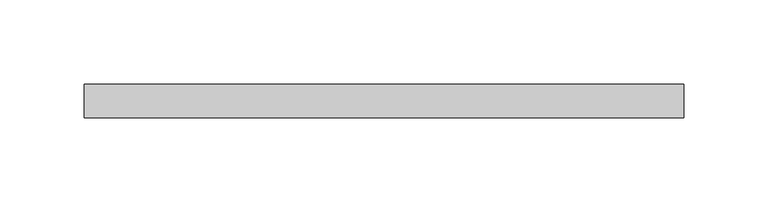
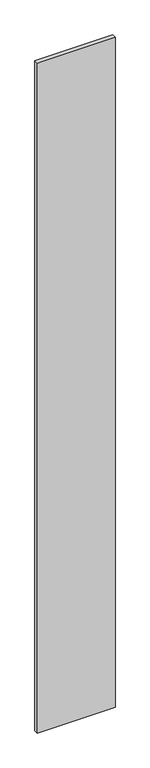
"""IFC4 building model written with IfcOpenShell, lengths in millimetres: plate geometry."""

import ifcopenshell
import ifcopenshell.guid

model = None  # the IFC model being written
_history = None  # IfcOwnerHistory: only IFC2X3 demands one
_inside = {}  # id of a spatial element -> (the spatial element, [elements in it])
_under = {}  # id of a project, library or spatial element -> (it, [spatial elements below it])
_declared = {}  # id of a project -> (the project, [libraries it declares])
_typed = {}  # id of a type object -> (the type object, [elements of that type])
_made_of = {}  # id of a material, layer set ... -> (it, [elements and type objects made of it])


def new_model(schema):
    """Start an empty IFC model of exactly this schema.

    Asked for "IFC4X3", IfcOpenShell would pick the latest addendum, in which some entities
    have other attributes; the version numbers below select the first issue.
    IFC2X3 requires an IfcOwnerHistory on every rooted entity: one is made here for all.
    """
    global model, _history
    if schema == "IFC4X3":
        model = ifcopenshell.file(schema_version=(4, 3, 0, 0))
    else:
        model = ifcopenshell.file(schema=schema)
    _inside.clear()
    _under.clear()
    _declared.clear()
    _typed.clear()
    _made_of.clear()
    _history = None
    if model.schema == "IFC2X3":
        org = make("IfcOrganization", Name="unknown")
        user = make(
            "IfcPersonAndOrganization",
            ThePerson=make("IfcPerson", FamilyName="unknown"),
            TheOrganization=org,
        )
        app = make(
            "IfcApplication",
            ApplicationDeveloper=org,
            Version="unknown",
            ApplicationFullName="unknown",
            ApplicationIdentifier="unknown",
        )
        _history = make(
            "IfcOwnerHistory",
            OwningUser=user,
            OwningApplication=app,
            ChangeAction="ADDED",
            CreationDate=0,
        )
    return model


def make(cls, **values):
    """One entity of the class cls with the attributes given. An attribute that is None is left unset."""
    return model.create_entity(
        cls, **{name: value for name, value in values.items() if value is not None}
    )


def rooted(cls, **values):
    """An entity with a GlobalId (a new one), such as an element, a storey or a relation."""
    return make(cls, GlobalId=ifcopenshell.guid.new(), OwnerHistory=_history, **values)


def si_unit(unit_type, name, prefix=None):
    """IfcSIUnit, for example si_unit("LENGTHUNIT", "METRE", prefix="MILLI")."""
    return make("IfcSIUnit", UnitType=unit_type, Prefix=prefix, Name=name)


def assignment(units):
    """IfcUnitAssignment: the units of a project."""
    return None if units is None else make("IfcUnitAssignment", Units=units)


def point(xyz):
    """IfcCartesianPoint."""
    return None if xyz is None else make("IfcCartesianPoint", Coordinates=xyz)


def direction(xyz):
    """IfcDirection."""
    return None if xyz is None else make("IfcDirection", DirectionRatios=xyz)


def frame(location, z_axis=None, x_axis=None):
    """IfcAxis2Placement3D, a coordinate frame: its origin and axes. An axis left out is left unset."""
    return make(
        "IfcAxis2Placement3D",
        Location=point(location),
        Axis=direction(z_axis),
        RefDirection=direction(x_axis),
    )


def origin():
    """The frame at (0, 0, 0) with its axes left unset."""
    return frame((0.0, 0.0, 0.0))


def origin_with_axes():
    """The frame at (0, 0, 0) with the z axis (0, 0, 1) and the x axis (1, 0, 0) written out."""
    return frame((0.0, 0.0, 0.0), z_axis=(0.0, 0.0, 1.0), x_axis=(1.0, 0.0, 0.0))


def place(relative_to, where):
    """IfcLocalPlacement: puts the frame where relative to a parent placement (None: the world)."""
    return make(
        "IfcLocalPlacement", PlacementRelTo=relative_to, RelativePlacement=where
    )


def context(
    kind, dimensions, precision=None, world=None, true_north=None, identifier=None
):
    """IfcGeometricRepresentationContext, for example the 3D "Model" context."""
    return make(
        "IfcGeometricRepresentationContext",
        ContextIdentifier=identifier,
        ContextType=kind,
        CoordinateSpaceDimension=dimensions,
        Precision=precision,
        WorldCoordinateSystem=world,
        TrueNorth=true_north,
    )


def project(units=None, contexts=None):
    """IfcProject with its units and contexts."""
    return rooted(
        "IfcProject",
        Name="project",
        RepresentationContexts=contexts,
        UnitsInContext=assignment(units),
    )


def spatial(cls, under=None, at=None, **own):
    """A site, building, storey or space (cls), placed at a placement, below another one or the project."""
    s = rooted(cls, ObjectPlacement=at, **own)
    if under is not None:
        _under.setdefault(under.id(), (under, []))[1].append(s)
    return s


def polyline(points):
    """IfcPolyline through the points."""
    return make("IfcPolyline", Points=[point(p) for p in points])


def outline(outer, holes=None, kind="AREA"):
    """IfcArbitraryClosedProfileDef: a profile drawn as a closed curve; with holes, ...WithVoids."""
    if holes is None:
        return make("IfcArbitraryClosedProfileDef", ProfileType=kind, OuterCurve=outer)
    return make(
        "IfcArbitraryProfileDefWithVoids",
        ProfileType=kind,
        OuterCurve=outer,
        InnerCurves=holes,
    )


def extrude(swept, where, along, depth):
    """IfcExtrudedAreaSolid: the profile swept, set in the frame where, extruded along a direction by depth."""
    return make(
        "IfcExtrudedAreaSolid",
        SweptArea=swept,
        Position=where,
        ExtrudedDirection=direction(along),
        Depth=depth,
    )


def shape(context_of_items, identifier, shape_type, items):
    """IfcShapeRepresentation: the items that make up one representation, for example the "Body"."""
    return make(
        "IfcShapeRepresentation",
        ContextOfItems=context_of_items,
        RepresentationIdentifier=identifier,
        RepresentationType=shape_type,
        Items=items,
    )


def source(mapping_origin, context_of_items, identifier, shape_type, items):
    """IfcRepresentationMap: a shape defined once, which mapped items show again and again."""
    return make(
        "IfcRepresentationMap",
        MappingOrigin=mapping_origin,
        MappedRepresentation=shape(context_of_items, identifier, shape_type, items),
    )


def transform(
    local_origin,
    x_axis=None,
    y_axis=None,
    z_axis=None,
    scale=None,
    scale2=None,
    scale3=None,
    uniform=True,
):
    """IfcCartesianTransformationOperator3D, or its non-uniform kind. x_axis, y_axis, z_axis: its Axis1, 2, 3."""
    if uniform:
        return make(
            "IfcCartesianTransformationOperator3D",
            Axis1=direction(x_axis),
            Axis2=direction(y_axis),
            LocalOrigin=point(local_origin),
            Scale=scale,
            Axis3=direction(z_axis),
        )
    return make(
        "IfcCartesianTransformationOperator3DnonUniform",
        Axis1=direction(x_axis),
        Axis2=direction(y_axis),
        LocalOrigin=point(local_origin),
        Scale=scale,
        Axis3=direction(z_axis),
        Scale2=scale2,
        Scale3=scale3,
    )


def mapped(mapping_source, mapping_target):
    """IfcMappedItem: shows the shape of a source again, moved by a transform."""
    return make(
        "IfcMappedItem", MappingSource=mapping_source, MappingTarget=mapping_target
    )


def made_of(thing, what):
    """Note that an element or type object is made of a material, layer set ...; save() writes the relation."""
    if what is not None:
        _made_of.setdefault(what.id(), (what, []))[1].append(thing)
    return thing


def element(
    cls,
    number,
    at=None,
    inside=None,
    cuts=None,
    type_object=None,
    material=None,
    context=None,
    identifier="Body",
    shape_type=None,
    held_by="IfcProductDefinitionShape",
    body=None,
    shapes=None,
    **own,
):
    """One element of the class cls, such as IfcWall. Its Tag is "e" and its number.

    at: its placement. inside: the storey or other place that contains it. cuts: it is an
    opening in that element (IfcRelVoidsElement). A single representation is given by context,
    identifier, shape_type and body (its items); several are given by shapes. held_by: the class
    of the entity that holds the representations. save() writes the other relations.
    """
    e = rooted(cls, Tag="e%d" % number, ObjectPlacement=at, **own)
    if body is not None:
        shapes = [shape(context, identifier, shape_type, body)]
    if shapes is not None:
        e.Representation = make(held_by, Representations=shapes)
    if inside is not None:
        _inside.setdefault(inside.id(), (inside, []))[1].append(e)
    if cuts is not None:
        rooted(
            "IfcRelVoidsElement", RelatingBuildingElement=cuts, RelatedOpeningElement=e
        )
    if type_object is not None:
        _typed.setdefault(type_object.id(), (type_object, []))[1].append(e)
    return made_of(e, material)


def aggregate(whole, parts):
    """IfcRelAggregates: a whole, such as a stair, and the parts it consists of."""
    return rooted("IfcRelAggregates", RelatingObject=whole, RelatedObjects=parts)


def save(model, path):
    """Write the relations noted so far, then the file.

    IfcRelAggregates (storeys below a building ...), IfcRelContainedInSpatialStructure (elements
    in a storey), IfcRelDefinesByType, IfcRelAssociatesMaterial and IfcRelDeclares: one each for
    every whole, place, type object, material and project.
    """
    for whole, parts in _under.values():
        aggregate(whole, parts)
    for where, things in _inside.values():
        rooted(
            "IfcRelContainedInSpatialStructure",
            RelatedElements=things,
            RelatingStructure=where,
        )
    for kind, things in _typed.values():
        rooted("IfcRelDefinesByType", RelatedObjects=things, RelatingType=kind)
    for what, things in _made_of.values():
        rooted("IfcRelAssociatesMaterial", RelatedObjects=things, RelatingMaterial=what)
    for by, libraries in _declared.values():
        rooted("IfcRelDeclares", RelatingContext=by, RelatedDefinitions=libraries)
    model.write(path)


def plate_dd251d27(model_context):
    return source(origin(), model_context, "Body", "SweptSolid", [
        extrude(outline(polyline([(178.1664575, -10.0), (-178.1664575, -10.0), (-178.1664575, 10.0), (178.1664575, 10.0), (178.1664575, -10.0)])), origin_with_axes(), (0.0, 0.0, 1.0), 3250.0),
    ])


if __name__ == "__main__":
    model = new_model("IFC4")
    model_context = context("Model", 3, world=origin())
    ifc_project = project(units=[si_unit("LENGTHUNIT", "METRE", prefix="MILLI")], contexts=[model_context])
    site = spatial("IfcSite", under=ifc_project)
    building = spatial("IfcBuilding", under=site)
    placement = place(None, origin())
    plate_shape = plate_dd251d27(model_context)
    element("IfcPlate", 1, at=placement, inside=building, context=model_context, shape_type="MappedRepresentation", body=[
        mapped(plate_shape, transform((0.0, 0.0, 0.0), x_axis=(1.0, 0.0, 0.0), y_axis=(0.0, 1.0, 0.0), z_axis=(0.0, 0.0, 1.0))),
    ])
    save(model, "model.ifc")
